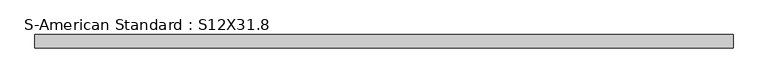
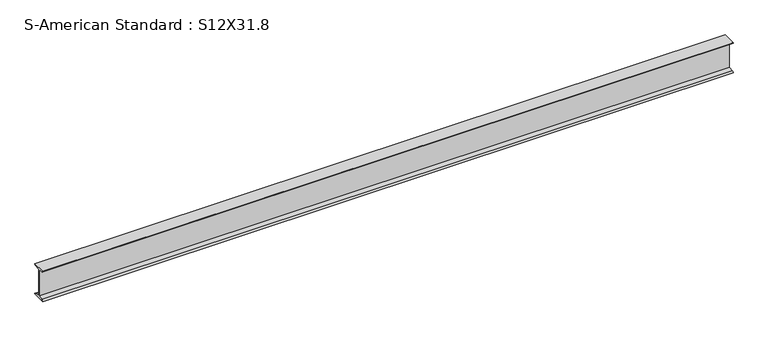
"""IFC4 building model written with IfcOpenShell, lengths in millimetres: beam geometry, S-American Standard : S12X31.8."""

from ifc_helpers import new_model, si_unit, point, frame, frame_2d, origin, place, context, project, spatial, polyline, circle_curve, trimmed, segment, composite_curve, outline, extrude, source, transform, mapped, element, save


def s_american_standard_s12x31_8_eaa1f2de(model_context):
    return source(origin(), model_context, "Body", "SweptSolid", [
        extrude(outline(composite_curve([segment(polyline([(-63.5, 152.4), (63.5, 152.4)]), True, "CONTINUOUS"), segment(trimmed(circle_curve(frame_2d((49.7, 152.4)), 13.8), [point((63.5, 152.4))], [point((49.7, 138.6))], False, "CARTESIAN"), True, "CONTINUOUS"), segment(polyline([(49.7, 138.6), (4.45, 131.4331041), (4.45, -131.4331041), (49.7, -138.6)]), True, "CONTINUOUS"), segment(trimmed(circle_curve(frame_2d((49.7, -152.4)), 13.8), [point((49.7, -138.6))], [point((63.5, -152.4))], False, "CARTESIAN"), True, "CONTINUOUS"), segment(polyline([(63.5, -152.4), (-63.5, -152.4)]), True, "CONTINUOUS"), segment(trimmed(circle_curve(frame_2d((-49.7, -152.4)), 13.8), [point((-63.5, -152.4))], [point((-49.7, -138.6))], False, "CARTESIAN"), True, "CONTINUOUS"), segment(polyline([(-49.7, -138.6), (-4.45, -131.4331041), (-4.45, 131.4331041), (-49.7, 138.6)]), True, "CONTINUOUS"), segment(trimmed(circle_curve(frame_2d((-49.7, 152.4)), 13.8), [point((-49.7, 138.6))], [point((-63.5, 152.4))], False, "CARTESIAN"), True, "CONTINUOUS")], self_intersect=False)), frame((-2875.4508172, 0.0, 0.0), z_axis=(1.0, 0.0, 0.0), x_axis=(0.0, 1.0, 0.0)), (0.0, 0.0, 1.0), 6547.3190092),
    ])


if __name__ == "__main__":
    model = new_model("IFC4")
    model_context = context("Model", 3, world=origin())
    ifc_project = project(units=[si_unit("LENGTHUNIT", "METRE", prefix="MILLI")], contexts=[model_context])
    site = spatial("IfcSite", under=ifc_project)
    building = spatial("IfcBuilding", under=site)
    placement = place(None, origin())
    s_american_standard_s12x31_8_shape = s_american_standard_s12x31_8_eaa1f2de(model_context)
    element("IfcBeam", 1, ObjectType="S-American Standard : S12X31.8", at=placement, inside=building, context=model_context, shape_type="MappedRepresentation", body=[
        mapped(s_american_standard_s12x31_8_shape, transform((0.0, 0.0, 0.0), x_axis=(1.0, 0.0, 0.0), y_axis=(0.0, 1.0, 0.0), z_axis=(0.0, 0.0, 1.0))),
    ])
    save(model, "model.ifc")
